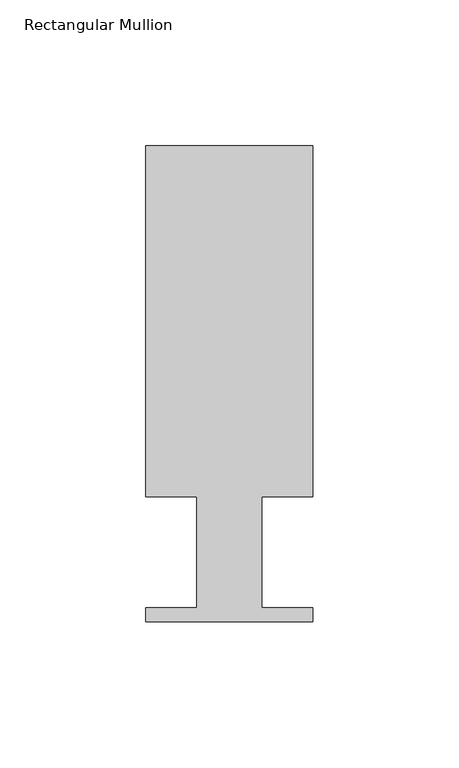
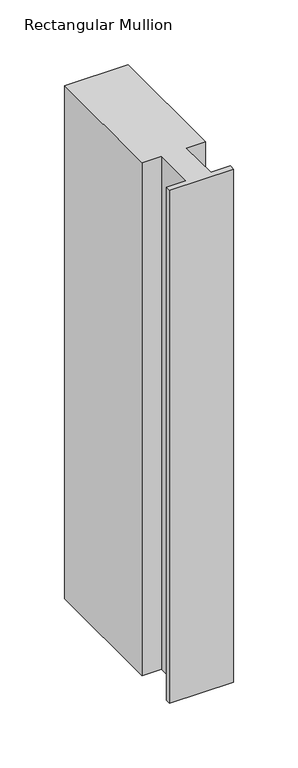
"""IFC4 building model written with IfcOpenShell, lengths in millimetres: member geometry, Rectangular Mullion."""

from ifc_helpers import new_model, si_unit, frame, origin, place, context, project, spatial, polyline, outline, extrude, source, transform, mapped, element, save


def rectangular_mullion_15e1e5a1(model_context):
    return source(origin(), model_context, "Body", "SweptSolid", [
        extrude(outline(polyline([(0.0, 151.892), (0.0, 31.75), (-17.4752, 31.75), (-17.4752, -6.35), (0.0, -6.35), (0.0, -11.176), (-57.15, -11.176), (-57.15, -6.35), (-39.6875, -6.35), (-39.6875, 31.75), (-57.15, 31.75), (-57.15, 151.892), (0.0, 151.892)])), frame((0.0, 0.0, -485.4137125), z_axis=(0.0, 0.0, 1.0), x_axis=(1.0, 0.0, 0.0)), (0.0, 0.0, 1.0), 485.4137125),
    ])


if __name__ == "__main__":
    model = new_model("IFC4")
    model_context = context("Model", 3, world=origin())
    ifc_project = project(units=[si_unit("LENGTHUNIT", "METRE", prefix="MILLI")], contexts=[model_context])
    site = spatial("IfcSite", under=ifc_project)
    building = spatial("IfcBuilding", under=site)
    placement = place(None, origin())
    rectangular_mullion_shape = rectangular_mullion_15e1e5a1(model_context)
    element("IfcMember", 1, ObjectType="Rectangular Mullion", at=placement, inside=building, context=model_context, shape_type="MappedRepresentation", body=[
        mapped(rectangular_mullion_shape, transform((0.0, 0.0, 0.0), x_axis=(1.0, 0.0, 0.0), y_axis=(0.0, 1.0, 0.0), z_axis=(0.0, 0.0, 1.0))),
    ])
    save(model, "model.ifc")
